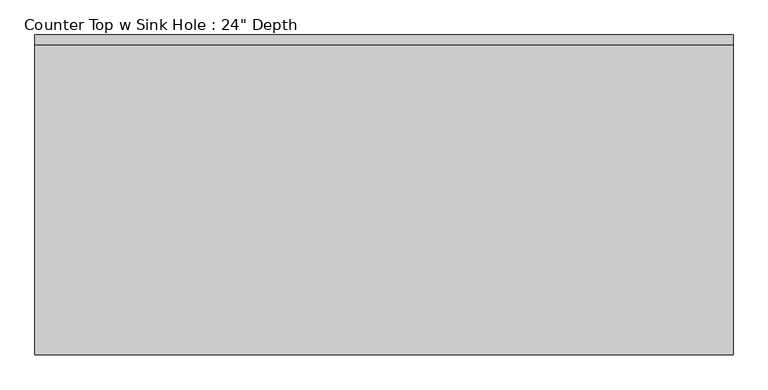
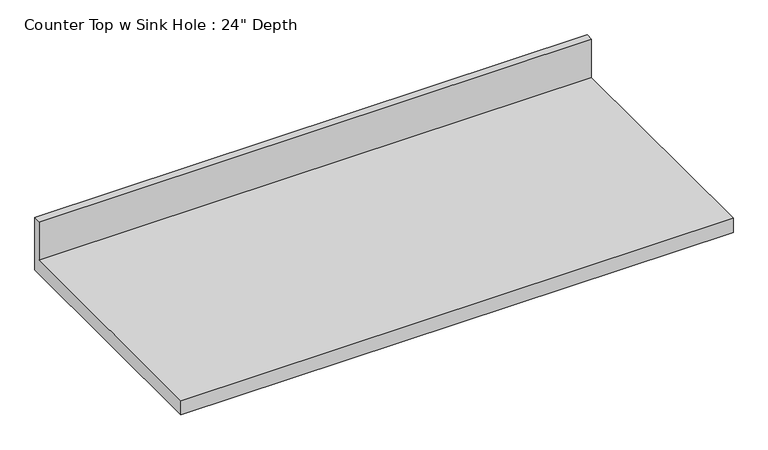
"""IFC4 building model written with IfcOpenShell, lengths in millimetres: furniture geometry."""

from ifc_helpers import new_model, si_unit, frame, origin, place, context, project, spatial, polyline, outline, extrude, source, transform, mapped, element, save


def furniture_14da44a5(model_context):
    return source(origin(), model_context, "Body", "SweptSolid", [
        extrude(outline(polyline([(0.0, 1016.0), (0.0, 876.3), (-635.0, 876.3), (-635.0, 914.4), (-19.05, 914.4), (-19.05, 1016.0), (0.0, 1016.0)])), frame((-1200.4622951, 0.0, 0.0), z_axis=(1.0, 0.0, 0.0), x_axis=(0.0, 1.0, 0.0)), (0.0, 0.0, 1.0), 1386.5209505),
    ])


if __name__ == "__main__":
    model = new_model("IFC4")
    model_context = context("Model", 3, world=origin())
    ifc_project = project(units=[si_unit("LENGTHUNIT", "METRE", prefix="MILLI")], contexts=[model_context])
    site = spatial("IfcSite", under=ifc_project)
    building = spatial("IfcBuilding", under=site)
    placement = place(None, origin())
    furniture_shape = furniture_14da44a5(model_context)
    element("IfcFurniture", 1, ObjectType="Counter Top w Sink Hole : 24\" Depth", at=placement, inside=building, context=model_context, shape_type="MappedRepresentation", body=[
        mapped(furniture_shape, transform((0.0, 0.0, 0.0), x_axis=(1.0, 0.0, 0.0), y_axis=(0.0, 1.0, 0.0), z_axis=(0.0, 0.0, 1.0))),
    ])
    save(model, "model.ifc")
